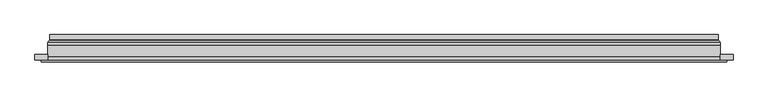
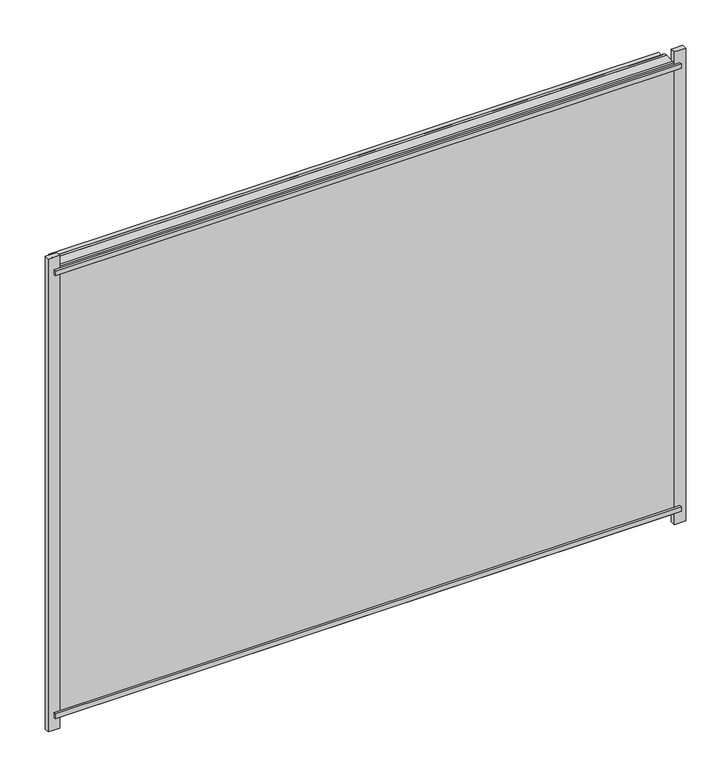
"""IFC4 building model written with IfcOpenShell, lengths in millimetres: plate geometry."""

from ifc_helpers import new_model, si_unit, frame, origin, place, context, project, spatial, polyline, ellipse_curve, outline, extrude, source, transform, mapped, element, save
from ifc_brep_helpers import plane_surface, cylinder_surface, revolved_surface, advanced_brep


def plate_73e1c2e0(model_context):
    return source(origin(), model_context, "Body", "SolidModel", [
        extrude(outline(polyline([(625.0, -27.0), (-625.0, -27.0), (-625.0, -23.0), (625.0, -23.0), (625.0, -27.0)])), frame((0.0, 0.0, 944.5000001), z_axis=(0.0, 0.0, 1.0), x_axis=(1.0, 0.0, 0.0)), (0.0, 0.0, 1.0), 10.0),
        extrude(outline(polyline([(625.0, -27.0), (-625.0, -27.0), (-625.0, -23.0), (625.0, -23.0), (625.0, -27.0)])), frame((0.0, 0.0, 9.5), z_axis=(0.0, 0.0, 1.0), x_axis=(1.0, 0.0, 0.0)), (0.0, 0.0, 1.0), 10.0),
        extrude(outline(polyline([(-636.5, -23.0), (-636.5, -13.51), (-613.5, -13.51), (-613.5, -23.0), (-636.5, -23.0)])), frame((0.0, 0.0, -17.0), z_axis=(0.0, 0.0, 1.0), x_axis=(1.0, 0.0, 0.0)), (0.0, 0.0, 1.0), 998.0000001),
        extrude(outline(polyline([(636.5, -23.0), (613.5, -23.0), (613.5, -13.51), (636.5, -13.51), (636.5, -23.0)])), frame((0.0, 0.0, -17.0), z_axis=(0.0, 0.0, 1.0), x_axis=(1.0, 0.0, 0.0)), (0.0, 0.0, 1.0), 998.0000001),
        extrude(outline(polyline([(6.0, -613.5), (6.0, 613.5), (958.0000001, 613.5), (958.0000001, -613.5), (6.0, -613.5)]), holes=[polyline([(28.0, 591.5), (28.0, -591.5), (936.0000001, -591.5), (936.0000001, 591.5), (28.0, 591.5)])]), frame((0.0, -17.0, 0.0), z_axis=(0.0, 1.0, 0.0), x_axis=(0.0, 0.0, 1.0)), (0.0, 0.0, 1.0), 20.0),
        extrude(outline(polyline([(28.0, -591.5), (28.0, 591.5), (936.0000001, 591.5), (936.0000001, -591.5), (28.0, -591.5)]), holes=[polyline([(33.0, 586.5), (33.0, -586.5), (931.0000001, -586.5), (931.0000001, 586.5), (33.0, 586.5)])]), frame((0.0, -17.0, 0.0), z_axis=(0.0, 1.0, 0.0), x_axis=(0.0, 0.0, 1.0)), (0.0, 0.0, 1.0), 20.0),
        extrude(outline(polyline([(613.5, 9.0), (613.5, 3.0), (-613.5, 3.0), (-613.5, 9.0), (613.5, 9.0)])), frame((0.0, 0.0, 6.0), z_axis=(0.0, 0.0, 1.0), x_axis=(1.0, 0.0, 0.0)), (0.0, 0.0, 1.0), 952.0000001),
        extrude(outline(polyline([(-613.5, -23.0), (-613.5, -17.0), (613.5, -17.0), (613.5, -23.0), (-613.5, -23.0)])), frame((0.0, 0.0, 6.0), z_axis=(0.0, 0.0, 1.0), x_axis=(1.0, 0.0, 0.0)), (0.0, 0.0, 1.0), 952.0000001),
        advanced_brep(
        [(-609.0, 23.0, 10.5), (609.0, 23.0, 10.5), (609.0, 13.9230471, 10.5), (-609.0, 13.9230471, 10.5), (-600.0, 12.9110883, 19.5), (600.0, 12.9110883, 19.5), (600.0, 23.0, 19.5), (-600.0, 23.0, 19.5), (609.0, 23.0, 953.5000001), (609.0, 13.9230471, 953.5000001), (600.0, 12.9110883, 944.5000001), (600.0, 23.0, 944.5000001), (-609.0, 23.0, 953.5000001), (-609.0, 13.9230471, 953.5000001), (-600.0, 12.9110883, 944.5000001), (-600.0, 23.0, 944.5000001), (-610.2540757, 9.0, 9.2459243), (610.2540757, 9.0, 9.2459243), (610.2540757, 9.0, 954.7540758), (-610.2540757, 9.0, 954.7540758), (599.7, 9.0, 19.8), (-599.7, 9.0, 19.8), (-599.7, 9.0, 944.2000001), (599.7, 9.0, 944.2000001), (-599.0625, 11.2166581, 20.4375), (599.0625, 11.2166581, 20.4375), (-610.5737575, 11.9689955, 8.9262425), (610.5737575, 11.9689955, 8.9262425), (599.0625, 11.2166581, 943.5625001), (610.5737575, 11.9689955, 955.0737577), (-599.0625, 11.2166581, 943.5625001), (-610.5737575, 11.9689955, 955.0737577)],
        [
            (0, 1),
            (1, 2),
            (2, 3),
            (3, 0),
            (4, 5),
            (5, 6),
            (6, 7),
            (7, 4),
            (1, 8),
            (8, 9),
            (9, 2),
            (5, 10),
            (10, 11),
            (11, 6),
            (8, 12),
            (12, 13),
            (13, 9),
            (10, 14),
            (14, 15),
            (15, 11),
            (16, 17),
            (17, 18),
            (18, 19),
            (19, 16),
            (20, 21),
            (21, 22),
            (22, 23),
            (23, 20),
            (12, 0),
            (3, 13),
            (15, 7),
            (14, 4),
            (24, 25),
            (25, 5, ellipse_curve(frame((598.0, 12.9110883, 21.5), z_axis=(0.7071067811865475, 0.0, 0.7071067811865475), x_axis=(0.7071067811865476, 0.0, -0.7071067811865474)), 2.8284271, 2.0)),
            (4, 24, ellipse_curve(frame((-598.0, 12.9110883, 21.5), z_axis=(-0.7071067811865475, 0.0, 0.7071067811865475), x_axis=(0.7071067811865476, 0.0, 0.7071067811865474)), 2.8284271, 2.0)),
            (20, 25, ellipse_curve(frame((599.7, 10.2, 19.8), z_axis=(-0.7071067811865475, 0.0, -0.7071067811865475), x_axis=(-0.7071067811865476, 0.0, 0.7071067811865474)), 1.6970563, 1.2)),
            (24, 21, ellipse_curve(frame((-599.7, 10.2, 19.8), z_axis=(0.7071067811865475, 0.0, -0.7071067811865475), x_axis=(-0.7071067811865476, 0.0, -0.7071067811865474)), 1.6970563, 1.2)),
            (26, 27),
            (27, 17, ellipse_curve(frame((610.2540757, 10.5034569, 9.2459243), z_axis=(-0.7071067811865475, 0.0, -0.7071067811865475), x_axis=(-0.7071067811865476, 0.0, 0.7071067811865474)), 2.1213203, 1.5)),
            (16, 26, ellipse_curve(frame((-610.2540757, 10.5034569, 9.2459243), z_axis=(0.7071067811865475, 0.0, -0.7071067811865475), x_axis=(-0.7071067811865476, 0.0, -0.7071067811865474)), 2.1213203, 1.5)),
            (25, 28),
            (28, 10, ellipse_curve(frame((598.0, 12.9110883, 942.5000001), z_axis=(-0.7071067811865475, 0.0, 0.7071067811865475), x_axis=(0.7071067811865474, 0.0, 0.7071067811865476)), 2.8284271, 2.0)),
            (23, 28, ellipse_curve(frame((599.7, 10.2, 944.2000001), z_axis=(0.7071067811865475, 0.0, -0.7071067811865475), x_axis=(-0.7071067811865474, 0.0, -0.7071067811865476)), 1.6970563, 1.2)),
            (27, 29),
            (29, 18, ellipse_curve(frame((610.2540757, 10.5034569, 954.7540758), z_axis=(0.7071067811865475, 0.0, -0.7071067811865475), x_axis=(-0.7071067811865474, 0.0, -0.7071067811865476)), 2.1213203, 1.5)),
            (28, 30),
            (30, 14, ellipse_curve(frame((-598.0, 12.9110883, 942.5000001), z_axis=(-0.7071067811865475, 0.0, -0.7071067811865475), x_axis=(-0.7071067811865476, 0.0, 0.7071067811865474)), 2.8284271, 2.0)),
            (22, 30, ellipse_curve(frame((-599.7, 10.2, 944.2000001), z_axis=(0.7071067811865475, 0.0, 0.7071067811865475), x_axis=(0.7071067811865476, 0.0, -0.7071067811865474)), 1.6970563, 1.2)),
            (29, 31),
            (31, 19, ellipse_curve(frame((-610.2540757, 10.5034569, 954.7540758), z_axis=(0.7071067811865475, 0.0, 0.7071067811865475), x_axis=(0.7071067811865476, 0.0, -0.7071067811865474)), 2.1213203, 1.5)),
            (30, 24),
            (31, 26),
            (2, 27, ellipse_curve(frame((611.0, 13.9230471, 8.5), z_axis=(0.7071067811865475, 0.0, 0.7071067811865475), x_axis=(0.7071067811865476, 0.0, -0.7071067811865474)), 2.8284271, 2.0)),
            (26, 3, ellipse_curve(frame((-611.0, 13.9230471, 8.5), z_axis=(-0.7071067811865475, 0.0, 0.7071067811865475), x_axis=(0.7071067811865476, 0.0, 0.7071067811865474)), 2.8284271, 2.0)),
            (9, 29, ellipse_curve(frame((611.0, 13.9230471, 955.5000001), z_axis=(-0.7071067811865475, 0.0, 0.7071067811865475), x_axis=(0.7071067811865474, 0.0, 0.7071067811865476)), 2.8284271, 2.0)),
            (13, 31, ellipse_curve(frame((-611.0, 13.9230471, 955.5000001), z_axis=(-0.7071067811865475, 0.0, -0.7071067811865475), x_axis=(-0.7071067811865476, 0.0, 0.7071067811865474)), 2.8284271, 2.0)),
        ],
        [
            plane_surface(frame((-609.0, 13.9230471, 10.5), z_axis=(0.0, 0.0, -1.0), x_axis=(1.0, 0.0, 0.0))),
            plane_surface(frame((-600.0, 23.0, 19.5), z_axis=(0.0, 0.0, 1.0), x_axis=(1.0, 0.0, 0.0))),
            plane_surface(frame((609.0, 13.9230471, 10.5), z_axis=(1.0, 0.0, 0.0), x_axis=(0.0, 0.0, 1.0))),
            plane_surface(frame((600.0, 23.0, 19.5), z_axis=(-1.0, 0.0, 0.0), x_axis=(0.0, 0.0, 1.0))),
            plane_surface(frame((609.0, 13.9230471, 953.5000001), z_axis=(0.0, 0.0, 1.0), x_axis=(-1.0, 0.0, 0.0))),
            plane_surface(frame((600.0, 23.0, 944.5000001), z_axis=(0.0, 0.0, -1.0), x_axis=(-1.0, 0.0, 0.0))),
            plane_surface(frame((-599.7, 9.0, 944.2000001), z_axis=(0.0, -1.0, 0.0), x_axis=(0.0, 0.0, -1.0))),
            plane_surface(frame((-609.0, 13.9230471, 953.5000001), z_axis=(-1.0, 0.0, 0.0), x_axis=(0.0, 0.0, -1.0))),
            plane_surface(frame((-609.0, 23.0, 953.5000001), z_axis=(0.0, 1.0, 0.0), x_axis=(0.0, 0.0, -1.0))),
            plane_surface(frame((-600.0, 23.0, 944.5000001), z_axis=(1.0, 0.0, 0.0), x_axis=(0.0, 0.0, -1.0))),
            revolved_surface(polyline([(600.0, 10.9110883, 21.5), (-600.0, 10.9110883, 21.5)]), (-613.5, 12.9110883, 21.5), (1.0, 0.0, 0.0)),
            cylinder_surface(frame((-613.5, 10.2, 19.8), z_axis=(-1.0, 0.0, 0.0), x_axis=(0.0, -1.0, 0.0)), 1.2),
            cylinder_surface(frame((-613.5, 10.5034569, 9.2459243), z_axis=(-1.0, 0.0, 0.0), x_axis=(0.0, -1.0, 0.0)), 1.5),
            revolved_surface(polyline([(598.0, 10.9110883, 944.5000001), (598.0, 10.9110883, 19.5)]), (598.0, 12.9110883, 6.0), (0.0, 0.0, 1.0)),
            cylinder_surface(frame((599.7, 10.2, 6.0), z_axis=(0.0, 0.0, -1.0), x_axis=(0.0, -1.0, 0.0)), 1.2),
            cylinder_surface(frame((610.2540757, 10.5034569, 6.0), z_axis=(0.0, 0.0, -1.0), x_axis=(0.0, -1.0, 0.0)), 1.5),
            revolved_surface(polyline([(-600.0, 10.9110883, 942.5000001), (600.0, 10.9110883, 942.5000001)]), (613.5, 12.9110883, 942.5000001), (-1.0, 0.0, 0.0)),
            cylinder_surface(frame((613.5, 10.2, 944.2000001), z_axis=(1.0, 0.0, 0.0), x_axis=(0.0, -1.0, 0.0)), 1.2),
            cylinder_surface(frame((613.5, 10.5034569, 954.7540758), z_axis=(1.0, 0.0, 0.0), x_axis=(0.0, -1.0, 0.0)), 1.5),
            revolved_surface(polyline([(-598.0, 10.9110883, 19.5), (-598.0, 10.9110883, 944.5000001)]), (-598.0, 12.9110883, 958.0000001), (0.0, 0.0, -1.0)),
            cylinder_surface(frame((-599.7, 10.2, 958.0000001), z_axis=(0.0, 0.0, 1.0), x_axis=(0.0, -1.0, 0.0)), 1.2),
            cylinder_surface(frame((-610.2540757, 10.5034569, 958.0000001), z_axis=(0.0, 0.0, 1.0), x_axis=(0.0, -1.0, 0.0)), 1.5),
            revolved_surface(polyline([(612.9999999825018, 11.9230471, 8.5), (-612.9999999825018, 11.9230471, 8.5)]), (-613.5, 13.9230471, 8.5), (1.0, 0.0, 0.0)),
            revolved_surface(polyline([(611.0, 11.9230471, 957.5000000825017), (611.0, 11.9230471, 6.500000017498199)]), (611.0, 13.9230471, 6.0), (0.0, 0.0, 1.0)),
            revolved_surface(polyline([(-612.9999999825018, 11.9230471, 955.5000001), (612.9999999825018, 11.9230471, 955.5000001)]), (613.5, 13.9230471, 955.5000001), (-1.0, 0.0, 0.0)),
            revolved_surface(polyline([(-611.0, 11.9230471, 6.500000017498223), (-611.0, 11.9230471, 957.5000000825017)]), (-611.0, 13.9230471, 958.0000001), (0.0, 0.0, -1.0)),
        ],
        [
            (0, [[1, 2, 3, 4]]),
            (1, [[5, 6, 7, 8]]),
            (2, [[9, 10, 11, -2]]),
            (3, [[12, 13, 14, -6]]),
            (4, [[15, 16, 17, -10]]),
            (5, [[18, 19, 20, -13]]),
            (6, [[21, 22, 23, 24], [25, 26, 27, 28]]),
            (7, [[29, -4, 30, -16]]),
            (8, [[-1, -29, -15, -9], [-7, -14, -20, 31]]),
            (9, [[32, -8, -31, -19]]),
            (10, [[33, 34, -5, 35]]),
            (11, [[-25, 36, -33, 37]]),
            (12, [[38, 39, -21, 40]]),
            (13, [[41, 42, -12, -34]]),
            (14, [[-28, 43, -41, -36]]),
            (15, [[44, 45, -22, -39]]),
            (16, [[46, 47, -18, -42]]),
            (17, [[-27, 48, -46, -43]]),
            (18, [[49, 50, -23, -45]]),
            (19, [[51, -35, -32, -47]]),
            (20, [[-26, -37, -51, -48]]),
            (21, [[52, -40, -24, -50]]),
            (22, [[-3, 53, -38, 54]]),
            (23, [[-11, 55, -44, -53]]),
            (24, [[-17, 56, -49, -55]]),
            (25, [[-30, -54, -52, -56]]),
        ],
    ),
    ])


if __name__ == "__main__":
    model = new_model("IFC4")
    model_context = context("Model", 3, world=origin())
    ifc_project = project(units=[si_unit("LENGTHUNIT", "METRE", prefix="MILLI")], contexts=[model_context])
    site = spatial("IfcSite", under=ifc_project)
    building = spatial("IfcBuilding", under=site)
    placement = place(None, origin())
    plate_shape = plate_73e1c2e0(model_context)
    element("IfcPlate", 1, at=placement, inside=building, context=model_context, shape_type="MappedRepresentation", body=[
        mapped(plate_shape, transform((0.0, 0.0, 0.0), x_axis=(1.0, 0.0, 0.0), y_axis=(0.0, 1.0, 0.0), z_axis=(0.0, 0.0, 1.0))),
    ])
    save(model, "model.ifc")
